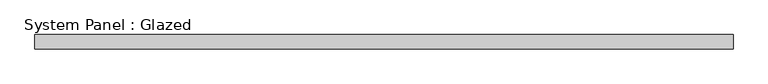
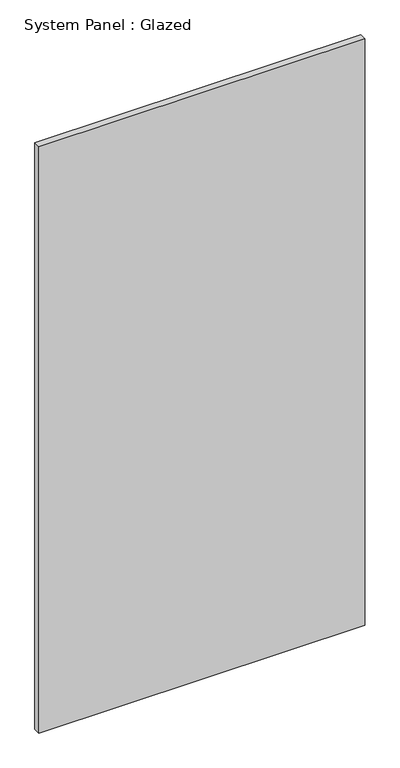
"""IFC4 building model written with IfcOpenShell, lengths in millimetres: plate geometry, System Panel : Glazed."""

from ifc_helpers import new_model, si_unit, origin, origin_with_axes, place, context, project, spatial, polyline, outline, extrude, source, transform, mapped, element, save


def system_panel_glazed_cf137155(model_context):
    return source(origin(), model_context, "Body", "SweptSolid", [
        extrude(outline(polyline([(615.95, 19.05), (-615.95, 19.05), (-615.95, 44.45), (615.95, 44.45), (615.95, 19.05)])), origin_with_axes(), (0.0, 0.0, 1.0), 2343.15),
    ])


if __name__ == "__main__":
    model = new_model("IFC4")
    model_context = context("Model", 3, world=origin())
    ifc_project = project(units=[si_unit("LENGTHUNIT", "METRE", prefix="MILLI")], contexts=[model_context])
    site = spatial("IfcSite", under=ifc_project)
    building = spatial("IfcBuilding", under=site)
    placement = place(None, origin())
    system_panel_glazed_shape = system_panel_glazed_cf137155(model_context)
    element("IfcPlate", 1, ObjectType="System Panel : Glazed", at=placement, inside=building, context=model_context, shape_type="MappedRepresentation", body=[
        mapped(system_panel_glazed_shape, transform((0.0, 0.0, 0.0), x_axis=(1.0, 0.0, 0.0), y_axis=(0.0, 1.0, 0.0), z_axis=(0.0, 0.0, 1.0))),
    ])
    save(model, "model.ifc")
